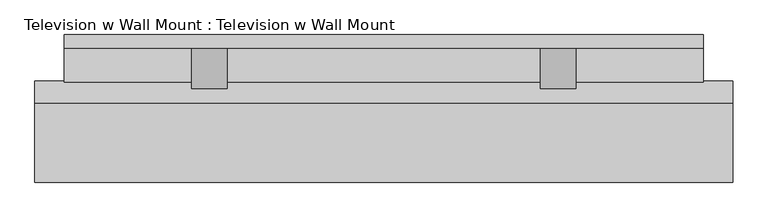
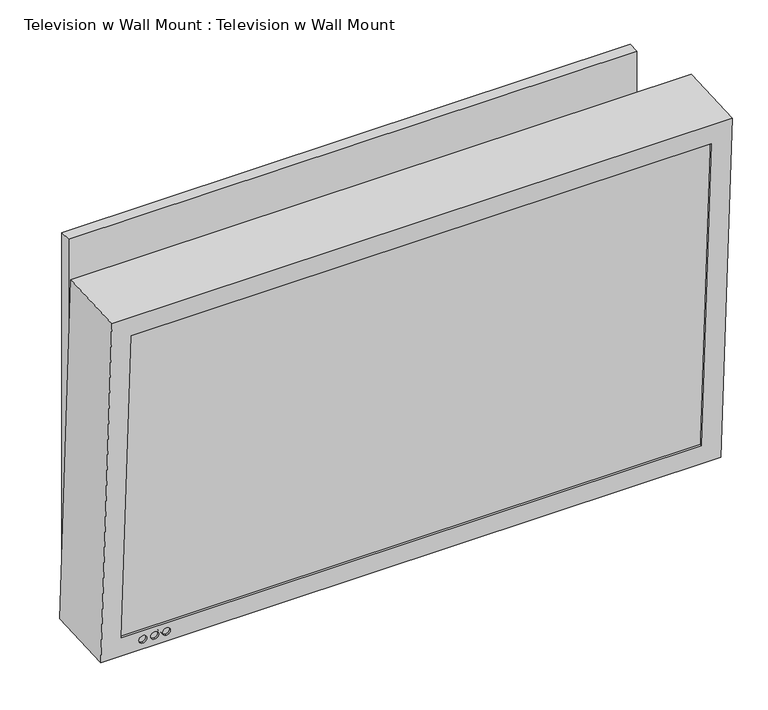
"""IFC4 building model written with IfcOpenShell, lengths in millimetres: proxy geometry, Television w Wall Mount : Television w Wall Mount."""

from ifc_helpers import new_model, si_unit, point, frame, frame_2d, origin, place, context, project, spatial, polyline, circle_curve, trimmed, segment, composite_curve, outline, extrude, source, transform, mapped, element, save
from ifc_brep_helpers import plane_surface, revolved_surface, advanced_brep


def television_w_wall_mount_television_w_wall_mount_9178e9af(model_context):
    return source(origin(), model_context, "Body", "SolidModel", [
        extrude(outline(composite_curve([segment(trimmed(circle_curve(frame_2d((0.0, 9.0037851)), 9.0037851), [point((0.0, 18.0075701))], [point((0.0, 0.0))], False, "CARTESIAN"), True, "CONTINUOUS"), segment(trimmed(circle_curve(frame_2d((0.0, 9.0037851)), 9.0037851), [point((0.0, 0.0))], [point((0.0, 18.0075701))], False, "CARTESIAN"), True, "CONTINUOUS")], self_intersect=False)), frame((-656.4331651, -240.5253505, 2466.195864), z_axis=(0.0, 0.9986295347545739, 0.05233595624294378), x_axis=(1.0, 0.0, 0.0)), (0.0, 0.0, 1.0), 3.175),
        extrude(outline(composite_curve([segment(trimmed(circle_curve(frame_2d((0.0, 9.0037851)), 9.0037851), [point((0.0, 18.0075701))], [point((0.0, 0.0))], False, "CARTESIAN"), True, "CONTINUOUS"), segment(trimmed(circle_curve(frame_2d((0.0, 9.0037851)), 9.0037851), [point((0.0, 0.0))], [point((0.0, 18.0075701))], False, "CARTESIAN"), True, "CONTINUOUS")], self_intersect=False)), frame((-675.4831651, -240.5253505, 2466.195864), z_axis=(0.0, 0.9986295347545739, 0.05233595624294378), x_axis=(1.0, 0.0, 0.0)), (0.0, 0.0, 1.0), 3.175),
        extrude(outline(polyline([(-138.7616051, 2647.7291544), (-80.9625, 2705.5282596), (-80.9625, 2680.1282596), (-135.5082889, 2585.6521819), (-138.7616051, 2647.7291544)])), frame((-38.7151563, 0.0, 0.0), z_axis=(1.0, 0.0, 0.0), x_axis=(0.0, 1.0, 0.0)), (0.0, 0.0, 1.0), 50.8),
        extrude(outline(polyline([(-138.7616051, 2647.7291544), (-80.9625, 2705.5282596), (-80.9625, 2680.1282596), (-135.5082889, 2585.6521819), (-138.7616051, 2647.7291544)])), frame((-537.7854688, 0.0, 0.0), z_axis=(1.0, 0.0, 0.0), x_axis=(0.0, 1.0, 0.0)), (0.0, 0.0, 1.0), 50.8),
        extrude(outline(polyline([(-61.9125, 2451.1), (-80.9625, 2451.1), (-128.4567078, 2451.1), (-129.455076, 2470.15), (-80.9625, 2470.15), (-80.9625, 3048.0), (-61.9125, 3048.0), (-61.9125, 2451.1)])), frame((-720.0503125, 0.0, 0.0), z_axis=(1.0, 0.0, 0.0), x_axis=(0.0, 1.0, 0.0)), (0.0, 0.0, 1.0), 914.4),
        extrude(outline(polyline([(0.0, 933.053125), (3.175, 933.053125), (3.175, 0.0), (0.0, 0.0), (0.0, 933.053125)])), frame((-729.376875, -237.7077838, 2473.0992385), z_axis=(0.0, -0.052335956242984656, 0.9986295347545718), x_axis=(0.0, -0.9986295347545718, -0.052335956242984656)), (0.0, 0.0, 1.0), 531.4488846),
        extrude(outline(polyline([(0.0, 933.053125), (76.2, 933.053125), (76.2, 0.0), (0.0, 0.0), (0.0, 933.053125)])), frame((-729.376875, -155.2709157, 2477.4195717), z_axis=(0.0, -0.052335956242941954, 0.998629534754574), x_axis=(0.0, -0.998629534754574, -0.052335956242941954)), (0.0, 0.0, 1.0), 531.4488846),
        extrude(outline(composite_curve([segment(trimmed(circle_curve(frame_2d((0.0, 9.0037851)), 9.0037851), [point((0.0, 18.0075701))], [point((0.0, 0.0))], False, "CARTESIAN"), True, "CONTINUOUS"), segment(trimmed(circle_curve(frame_2d((0.0, 9.0037851)), 9.0037851), [point((0.0, 0.0))], [point((0.0, 18.0075701))], False, "CARTESIAN"), True, "CONTINUOUS")], self_intersect=False)), frame((-694.5331651, -240.5253505, 2466.195864), z_axis=(0.0, 0.9986295347545739, 0.05233595624294378), x_axis=(1.0, 0.0, 0.0)), (0.0, 0.0, 1.0), 3.175),
        advanced_brep(
        [(-761.920625, -159.4228194, 3041.9686073), (236.22, -159.4228194, 3041.9686073), (236.22, -128.2025172, 2446.249755), (-761.920625, -128.2025172, 2446.249755), (-761.920625, -273.5661752, 3035.9866075), (-761.920625, -242.3458731, 2440.2677552), (236.22, -242.3458731, 2440.2677552), (236.22, -273.5661752, 3035.9866075), (-729.376875, -271.8629669, 3003.4874576), (203.67625, -271.8629669, 3003.4874576), (203.67625, -244.0490813, 2472.7669052), (-729.376875, -244.0490813, 2472.7669052), (-694.5331651, -242.907645, 2450.9870027), (-694.5331651, -243.5723117, 2463.6695978), (-675.4831651, -242.907645, 2450.9870027), (-675.4831651, -243.5723117, 2463.6695978), (-656.4331651, -242.907645, 2450.9870027), (-656.4331651, -243.5723117, 2463.6695978), (-729.376875, -183.0848013, 3008.1401241), (-729.376875, -155.2709157, 2477.4195717), (203.67625, -155.2709157, 2477.4195717), (203.67625, -183.0848013, 3008.1401241), (-694.5331651, -154.1294794, 2455.6396693), (-694.5331651, -154.794146, 2468.3222643), (-675.4831651, -154.1294794, 2455.6396693), (-675.4831651, -154.794146, 2468.3222643), (-656.4331651, -154.1294794, 2455.6396693), (-656.4331651, -154.794146, 2468.3222643)],
        [
            (0, 1),
            (1, 2),
            (2, 3),
            (3, 0),
            (4, 5),
            (5, 6),
            (6, 7),
            (7, 4),
            (8, 9),
            (9, 10),
            (10, 11),
            (11, 8),
            (12, 13, circle_curve(frame((-694.5331651, -243.2399783, 2457.3283003), z_axis=(0.0, 0.9986295347545739, 0.05233595624294378), x_axis=(0.0, -0.05233595624294378, 0.9986295347545739)), 6.35)),
            (13, 12, circle_curve(frame((-694.5331651, -243.2399783, 2457.3283003), z_axis=(0.0, 0.9986295347545739, 0.05233595624294378), x_axis=(0.0, -0.05233595624294378, 0.9986295347545739)), 6.35)),
            (14, 15, circle_curve(frame((-675.4831651, -243.2399783, 2457.3283003), z_axis=(0.0, 0.9986295347545739, 0.05233595624294378), x_axis=(0.0, -0.05233595624294378, 0.9986295347545739)), 6.35)),
            (15, 14, circle_curve(frame((-675.4831651, -243.2399783, 2457.3283003), z_axis=(0.0, 0.9986295347545739, 0.05233595624294378), x_axis=(0.0, -0.05233595624294378, 0.9986295347545739)), 6.35)),
            (16, 17, circle_curve(frame((-656.4331651, -243.2399783, 2457.3283003), z_axis=(0.0, 0.9986295347545739, 0.05233595624294378), x_axis=(0.0, -0.05233595624294378, 0.9986295347545739)), 6.35)),
            (17, 16, circle_curve(frame((-656.4331651, -243.2399783, 2457.3283003), z_axis=(0.0, 0.9986295347545739, 0.05233595624294378), x_axis=(0.0, -0.05233595624294378, 0.9986295347545739)), 6.35)),
            (3, 5),
            (4, 0),
            (2, 6),
            (1, 7),
            (18, 19),
            (19, 20),
            (20, 21),
            (21, 18),
            (18, 8),
            (11, 19),
            (10, 20),
            (9, 21),
            (22, 23, circle_curve(frame((-694.5331651, -154.4618127, 2461.9809668), z_axis=(0.0, -0.9986295347545739, -0.05233595624294378), x_axis=(0.0, -0.05233595624294378, 0.9986295347545739)), 6.35)),
            (23, 22, circle_curve(frame((-694.5331651, -154.4618127, 2461.9809668), z_axis=(0.0, -0.9986295347545739, -0.05233595624294378), x_axis=(0.0, -0.05233595624294378, 0.9986295347545739)), 6.35)),
            (24, 25, circle_curve(frame((-675.4831651, -154.4618127, 2461.9809668), z_axis=(0.0, -0.9986295347545739, -0.05233595624294378), x_axis=(0.0, -0.05233595624294378, 0.9986295347545739)), 6.35)),
            (25, 24, circle_curve(frame((-675.4831651, -154.4618127, 2461.9809668), z_axis=(0.0, -0.9986295347545739, -0.05233595624294378), x_axis=(0.0, -0.05233595624294378, 0.9986295347545739)), 6.35)),
            (26, 27, circle_curve(frame((-656.4331651, -154.4618127, 2461.9809668), z_axis=(0.0, -0.9986295347545739, -0.05233595624294378), x_axis=(0.0, -0.05233595624294378, 0.9986295347545739)), 6.35)),
            (27, 26, circle_curve(frame((-656.4331651, -154.4618127, 2461.9809668), z_axis=(0.0, -0.9986295347545739, -0.05233595624294378), x_axis=(0.0, -0.05233595624294378, 0.9986295347545739)), 6.35)),
            (22, 12),
            (13, 23),
            (24, 14),
            (15, 25),
            (26, 16),
            (17, 27),
        ],
        [
            plane_surface(frame((-761.920625, -159.4228194, 3041.9686073), z_axis=(0.0, 0.9986295347545739, 0.05233595624294378), x_axis=(0.0, 0.05233595624294378, -0.9986295347545739))),
            plane_surface(frame((-761.920625, -273.5661752, 3035.9866075), z_axis=(0.0, -0.9986295347545739, -0.05233595624294378), x_axis=(0.0, -0.05233595624294378, 0.9986295347545739))),
            plane_surface(frame((-761.920625, -159.4228194, 3041.9686073), z_axis=(-1.0000000000000002, 0.0, 0.0), x_axis=(0.0, -0.998629534754574, -0.05233595624294197))),
            plane_surface(frame((-761.920625, -128.2025172, 2446.249755), z_axis=(0.0, 0.05233595624294196, -0.998629534754574), x_axis=(0.0, -0.998629534754574, -0.05233595624294196))),
            plane_surface(frame((236.22, -128.2025172, 2446.249755), z_axis=(1.0000000000000002, 0.0, 0.0), x_axis=(0.0, -0.998629534754574, -0.05233595624294196))),
            plane_surface(frame((236.22, -159.4228194, 3041.9686073), z_axis=(0.0, -0.05233595624294197, 0.998629534754574), x_axis=(0.0, -0.998629534754574, -0.05233595624294197))),
            plane_surface(frame((-729.376875, -183.0848013, 3008.1401241), z_axis=(0.0, -0.9986295347545739, -0.05233595624294378), x_axis=(0.0, 0.05233595624294378, -0.9986295347545739))),
            plane_surface(frame((-729.376875, -183.0848013, 3008.1401241), z_axis=(1.0000000000000002, 0.0, 0.0), x_axis=(0.0, -0.998629534754574, -0.05233595624294197))),
            plane_surface(frame((-729.376875, -155.2709157, 2477.4195717), z_axis=(0.0, -0.05233595624294197, 0.998629534754574), x_axis=(0.0, -0.998629534754574, -0.05233595624294197))),
            plane_surface(frame((203.67625, -155.2709157, 2477.4195717), z_axis=(-1.0000000000000002, 0.0, 0.0), x_axis=(0.0, -0.998629534754574, -0.05233595624294197))),
            plane_surface(frame((203.67625, -183.0848013, 3008.1401241), z_axis=(0.0, 0.05233595624294197, -0.998629534754574), x_axis=(0.0, -0.998629534754574, -0.05233595624294197))),
            plane_surface(frame((-694.5331651, -154.794146, 2468.3222643), z_axis=(0.0, -0.9986295347545739, -0.05233595624294377), x_axis=(-1.0, 0.0, 0.0))),
            revolved_surface(polyline([(-694.5331651, -154.79414600286253, 2468.3222643546205), (-694.5331651, -243.5723117021748, 2463.6695978414978)]), (-694.5331651, -243.2399783, 2457.3283003), (0.0, 0.9986295347545739, 0.05233595624294378)),
            revolved_surface(polyline([(-675.4831651, -154.79414600299884, 2468.3222643572212), (-675.4831651, -243.57231170231108, 2463.669597844098)]), (-675.4831651, -129.0966225, 2463.3103001), (0.0, 0.9986295347545739, 0.05233595624294378)),
            revolved_surface(polyline([(-656.4331651, -154.79414600299884, 2468.3222643572212), (-656.4331651, -243.57231170231108, 2463.669597844098)]), (-656.4331651, -129.0966225, 2463.3103001), (0.0, 0.9986295347545739, 0.05233595624294378)),
        ],
        [
            (0, [[1, 2, 3, 4]]),
            (1, [[5, 6, 7, 8], [9, 10, 11, 12], [13, 14], [15, 16], [17, 18]]),
            (2, [[19, -5, 20, -4]]),
            (3, [[21, -6, -19, -3]]),
            (4, [[22, -7, -21, -2]]),
            (5, [[-20, -8, -22, -1]]),
            (6, [[23, 24, 25, 26]]),
            (7, [[27, -12, 28, -23]]),
            (8, [[-28, -11, 29, -24]]),
            (9, [[-29, -10, 30, -25]]),
            (10, [[-30, -9, -27, -26]]),
            (11, [[31, 32]]),
            (11, [[33, 34]]),
            (11, [[35, 36]]),
            (12, [[37, -14, 38, -31]]),
            (12, [[-38, -13, -37, -32]]),
            (13, [[39, -16, 40, -33]]),
            (13, [[-40, -15, -39, -34]]),
            (14, [[41, -18, 42, -35]]),
            (14, [[-42, -17, -41, -36]]),
        ],
    ),
    ])


if __name__ == "__main__":
    model = new_model("IFC4")
    model_context = context("Model", 3, world=origin())
    ifc_project = project(units=[si_unit("LENGTHUNIT", "METRE", prefix="MILLI")], contexts=[model_context])
    site = spatial("IfcSite", under=ifc_project)
    building = spatial("IfcBuilding", under=site)
    placement = place(None, origin())
    television_w_wall_mount_television_w_wall_mount_shape = television_w_wall_mount_television_w_wall_mount_9178e9af(model_context)
    element("IfcBuildingElementProxy", 1, Name="Television w Wall Mount : Television w Wall Mount", ObjectType="Television w Wall Mount : Television w Wall Mount", at=placement, inside=building, context=model_context, shape_type="MappedRepresentation", body=[
        mapped(television_w_wall_mount_television_w_wall_mount_shape, transform((0.0, 0.0, 0.0), x_axis=(1.0, 0.0, 0.0), y_axis=(0.0, 1.0, 0.0), z_axis=(0.0, 0.0, 1.0))),
    ])
    save(model, "model.ifc")
